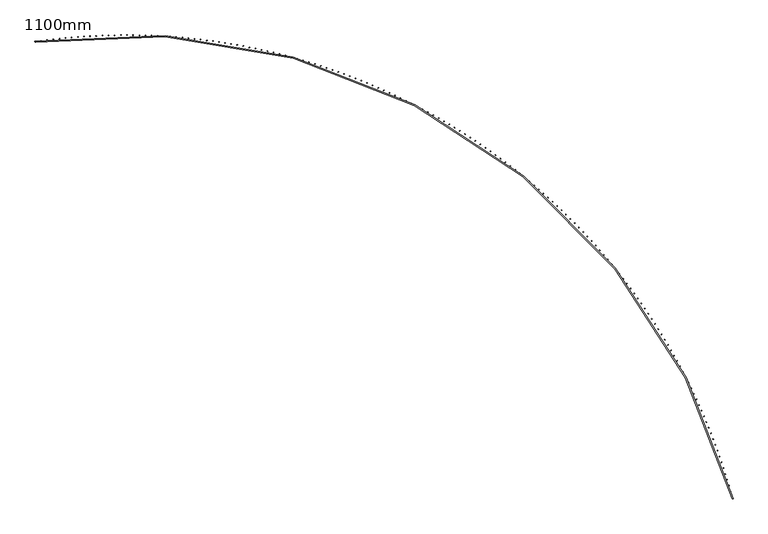
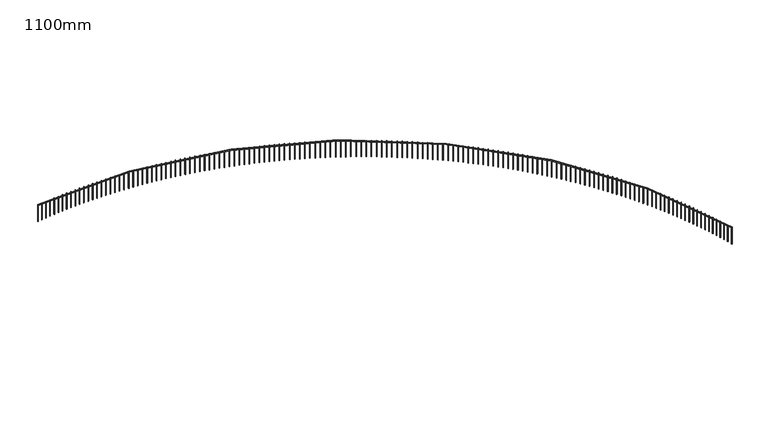
"""IFC4 building model written with IfcOpenShell, lengths in millimetres: railing geometry, 1100mm."""

from ifc_helpers import new_model, si_unit, point, frame, frame_2d, origin, place, context, project, spatial, polyline, circle_curve, trimmed, segment, composite_curve, outline, extrude, source, transform, mapped, element, save


def railing_1100mm_b144dd75(model_context):
    return source(origin(), model_context, "Body", "SweptSolid", [
        extrude(outline(composite_curve([segment(trimmed(circle_curve(frame_2d((-8794.2031957, -54023.2815566)), 28027.8933111), [point((18263.3200525, -46712.1093436))], [point((-12873.1716323, -26293.787873))], True, "CARTESIAN"), True, "CONTINUOUS"), segment(polyline([(-12873.1716323, -26293.787873), (-12880.4482557, -26244.3201992)]), True, "CONTINUOUS"), segment(trimmed(circle_curve(frame_2d((-8794.2031957, -54023.2815566)), 28077.8933111), [point((-12880.4482557, -26244.3201992))], [point((18311.5889733, -46699.0666719))], False, "CARTESIAN"), True, "CONTINUOUS"), segment(polyline([(18311.5889733, -46699.0666719), (18263.3200525, -46712.1093436)]), True, "CONTINUOUS")], self_intersect=False)), frame((0.0, 0.0, 15650.0), z_axis=(0.0, 0.0, 1.0), x_axis=(1.0, 0.0, 0.0)), (0.0, 0.0, 1.0), 50.0),
        extrude(outline(polyline([(18256.6030696, -46639.6717561), (18280.7237123, -46633.0994967), (18287.2959717, -46657.2201395), (18263.1753289, -46663.7923988), (18256.6030696, -46639.6717561)])), frame((0.0, 0.0, 14600.0), z_axis=(0.0, 0.0, 1.0), x_axis=(1.0, 0.0, 0.0)), (0.0, 0.0, 1.0), 1050.0),
        extrude(outline(polyline([(18182.9236225, -46374.8541414), (18206.97868, -46368.0457491), (18213.7870723, -46392.1008067), (18189.7320147, -46398.909199), (18182.9236225, -46374.8541414)])), frame((0.0, 0.0, 14600.0), z_axis=(0.0, 0.0, 1.0), x_axis=(1.0, 0.0, 0.0)), (0.0, 0.0, 1.0), 1050.0),
        extrude(outline(polyline([(18106.6517737, -46110.7715122), (18130.6389345, -46103.7276413), (18137.6828054, -46127.7148021), (18113.6956447, -46134.758673), (18106.6517737, -46110.7715122)])), frame((0.0, 0.0, 14600.0), z_axis=(0.0, 0.0, 1.0), x_axis=(1.0, 0.0, 0.0)), (0.0, 0.0, 1.0), 1050.0),
        extrude(outline(polyline([(18027.7948528, -45847.4492458), (18051.7118117, -45840.1705731), (18058.9904844, -45864.087532), (18035.0735255, -45871.3662047), (18027.7948528, -45847.4492458)])), frame((0.0, 0.0, 14600.0), z_axis=(0.0, 0.0, 1.0), x_axis=(1.0, 0.0, 0.0)), (0.0, 0.0, 1.0), 1050.0),
        extrude(outline(polyline([(17946.3604376, -45584.9126465), (17970.2048963, -45577.3998715), (17977.7176713, -45601.2443302), (17953.8732126, -45608.7571052), (17946.3604376, -45584.9126465)])), frame((0.0, 0.0, 14600.0), z_axis=(0.0, 0.0, 1.0), x_axis=(1.0, 0.0, 0.0)), (0.0, 0.0, 1.0), 1050.0),
        extrude(outline(polyline([(17862.3563536, -45323.1869431), (17886.1260207, -45315.4407877), (17893.8721762, -45339.2104549), (17870.102509, -45346.9566103), (17862.3563536, -45323.1869431)])), frame((0.0, 0.0, 14600.0), z_axis=(0.0, 0.0, 1.0), x_axis=(1.0, 0.0, 0.0)), (0.0, 0.0, 1.0), 1050.0),
        extrude(outline(polyline([(17775.7906733, -45062.2972865), (17799.4832647, -45054.3184951), (17807.4620561, -45078.0110865), (17783.7694647, -45085.9898779), (17775.7906733, -45062.2972865)])), frame((0.0, 0.0, 14600.0), z_axis=(0.0, 0.0, 1.0), x_axis=(1.0, 0.0, 0.0)), (0.0, 0.0, 1.0), 1050.0),
        extrude(outline(polyline([(17686.6717154, -44802.2687471), (17710.2849543, -44794.0580864), (17718.4956149, -44817.6713253), (17694.882376, -44825.881986), (17686.6717154, -44802.2687471)])), frame((0.0, 0.0, 14600.0), z_axis=(0.0, 0.0, 1.0), x_axis=(1.0, 0.0, 0.0)), (0.0, 0.0, 1.0), 1050.0),
        extrude(outline(polyline([(17595.0080438, -44543.1263128), (17618.539661, -44534.6845719), (17626.9814019, -44558.2161891), (17603.4497847, -44566.65793), (17595.0080438, -44543.1263128)])), frame((0.0, 0.0, 14600.0), z_axis=(0.0, 0.0, 1.0), x_axis=(1.0, 0.0, 0.0)), (0.0, 0.0, 1.0), 1050.0),
        extrude(outline(polyline([(17500.8084671, -44284.8948862), (17524.2562014, -44276.2228762), (17532.9282113, -44299.6706105), (17509.480477, -44308.3426205), (17500.8084671, -44284.8948862)])), frame((0.0, 0.0, 14600.0), z_axis=(0.0, 0.0, 1.0), x_axis=(1.0, 0.0, 0.0)), (0.0, 0.0, 1.0), 1050.0),
        extrude(outline(polyline([(17404.0820375, -44027.5992823), (17427.4436356, -44018.6978367), (17436.3450812, -44042.0594347), (17412.9834831, -44050.9608804), (17404.0820375, -44027.5992823)])), frame((0.0, 0.0, 14600.0), z_axis=(0.0, 0.0, 1.0), x_axis=(1.0, 0.0, 0.0)), (0.0, 0.0, 1.0), 1050.0),
        extrude(outline(polyline([(17304.8380501, -43771.2642263), (17328.111267, -43762.1342004), (17337.2412929, -43785.4074173), (17313.968076, -43794.5374433), (17304.8380501, -43771.2642263)])), frame((0.0, 0.0, 14600.0), z_axis=(0.0, 0.0, 1.0), x_axis=(1.0, 0.0, 0.0)), (0.0, 0.0, 1.0), 1050.0),
        extrude(outline(polyline([(17203.0860418, -43515.9143511), (17226.2686411, -43506.5566223), (17235.62637, -43529.7392216), (17212.4437706, -43539.0969505), (17203.0860418, -43515.9143511)])), frame((0.0, 0.0, 14600.0), z_axis=(0.0, 0.0, 1.0), x_axis=(1.0, 0.0, 0.0)), (0.0, 0.0, 1.0), 1050.0),
        extrude(outline(polyline([(17098.8357907, -43261.5741949), (17121.9255446, -43251.9896623), (17131.5100771, -43275.0794163), (17108.4203232, -43284.6639488), (17098.8357907, -43261.5741949)])), frame((0.0, 0.0, 14600.0), z_axis=(0.0, 0.0, 1.0), x_axis=(1.0, 0.0, 0.0)), (0.0, 0.0, 1.0), 1050.0),
        extrude(outline(polyline([(16992.0973147, -43008.2681987), (17015.0920044, -42998.4577835), (17024.9024196, -43021.4524732), (17001.9077299, -43031.2628884), (16992.0973147, -43008.2681987)])), frame((0.0, 0.0, 14600.0), z_axis=(0.0, 0.0, 1.0), x_axis=(1.0, 0.0, 0.0)), (0.0, 0.0, 1.0), 1050.0),
        extrude(outline(polyline([(16882.8808711, -42756.0207043), (16905.7782869, -42745.9853493), (16915.813642, -42768.882765), (16892.9162262, -42778.9181201), (16882.8808711, -42756.0207043)])), frame((0.0, 0.0, 14600.0), z_axis=(0.0, 0.0, 1.0), x_axis=(1.0, 0.0, 0.0)), (0.0, 0.0, 1.0), 1050.0),
        extrude(outline(polyline([(16771.1969552, -42504.8559519), (16793.9948967, -42494.5966213), (16804.2542273, -42517.3945627), (16781.4562858, -42527.6538934), (16771.1969552, -42504.8559519)])), frame((0.0, 0.0, 14600.0), z_axis=(0.0, 0.0, 1.0), x_axis=(1.0, 0.0, 0.0)), (0.0, 0.0, 1.0), 1050.0),
        extrude(outline(polyline([(16657.0562994, -42254.7980773), (16679.7525758, -42244.315757), (16690.234896, -42267.0120334), (16667.5386197, -42277.4943537), (16657.0562994, -42254.7980773)])), frame((0.0, 0.0, 14600.0), z_axis=(0.0, 0.0, 1.0), x_axis=(1.0, 0.0, 0.0)), (0.0, 0.0, 1.0), 1050.0),
        extrude(outline(polyline([(16540.4698721, -42005.8711103), (16563.0623024, -41995.1668076), (16573.766605, -42017.7592379), (16551.1741747, -42028.4635405), (16540.4698721, -42005.8711103)])), frame((0.0, 0.0, 14600.0), z_axis=(0.0, 0.0, 1.0), x_axis=(1.0, 0.0, 0.0)), (0.0, 0.0, 1.0), 1050.0),
        extrude(outline(polyline([(16421.4488769, -41758.0989717), (16443.93529, -41747.1737154), (16454.8605463, -41769.6601285), (16432.3741332, -41780.5853848), (16421.4488769, -41758.0989717)])), frame((0.0, 0.0, 14600.0), z_axis=(0.0, 0.0, 1.0), x_axis=(1.0, 0.0, 0.0)), (0.0, 0.0, 1.0), 1050.0),
        extrude(outline(polyline([(16300.0047513, -41511.5054716), (16322.3829864, -41500.3603114), (16333.5281465, -41522.7385465), (16311.1499114, -41533.8837067), (16300.0047513, -41511.5054716)])), frame((0.0, 0.0, 14600.0), z_axis=(0.0, 0.0, 1.0), x_axis=(1.0, 0.0, 0.0)), (0.0, 0.0, 1.0), 1050.0),
        extrude(outline(polyline([(16176.1491655, -41266.1143066), (16198.4170721, -41254.7503137), (16209.7810651, -41277.0182203), (16187.5131585, -41288.3822132), (16176.1491655, -41266.1143066)])), frame((0.0, 0.0, 14600.0), z_axis=(0.0, 0.0, 1.0), x_axis=(1.0, 0.0, 0.0)), (0.0, 0.0, 1.0), 1050.0),
        extrude(outline(polyline([(16049.8940217, -41021.949058), (16072.04946, -41010.3673243), (16083.6311937, -41032.5227625), (16061.4757555, -41044.1044963), (16049.8940217, -41021.949058)])), frame((0.0, 0.0, 14600.0), z_axis=(0.0, 0.0, 1.0), x_axis=(1.0, 0.0, 0.0)), (0.0, 0.0, 1.0), 1050.0),
        extrude(outline(polyline([(15921.2514526, -40779.0331892), (15943.2922934, -40767.2348276), (15955.090655, -40789.2756684), (15933.0498141, -40801.07403), (15921.2514526, -40779.0331892)])), frame((0.0, 0.0, 14600.0), z_axis=(0.0, 0.0, 1.0), x_axis=(1.0, 0.0, 0.0)), (0.0, 0.0, 1.0), 1050.0),
        extrude(outline(polyline([(15790.23382, -40537.3900434), (15812.1579454, -40525.3761878), (15824.171801, -40547.3003131), (15802.2476756, -40559.3141687), (15790.23382, -40537.3900434)])), frame((0.0, 0.0, 14600.0), z_axis=(0.0, 0.0, 1.0), x_axis=(1.0, 0.0, 0.0)), (0.0, 0.0, 1.0), 1050.0),
        extrude(outline(polyline([(15656.8537145, -40297.0428416), (15678.6590176, -40284.8146464), (15690.8872128, -40306.6199495), (15669.0819097, -40318.8481447), (15656.8537145, -40297.0428416)])), frame((0.0, 0.0, 14600.0), z_axis=(0.0, 0.0, 1.0), x_axis=(1.0, 0.0, 0.0)), (0.0, 0.0, 1.0), 1050.0),
        extrude(outline(polyline([(15521.1239533, -40058.0146803), (15542.8083387, -40045.5733207), (15555.2496983, -40067.2577061), (15533.5653129, -40079.6990658), (15521.1239533, -40058.0146803)])), frame((0.0, 0.0, 14600.0), z_axis=(0.0, 0.0, 1.0), x_axis=(1.0, 0.0, 0.0)), (0.0, 0.0, 1.0), 1050.0),
        extrude(outline(polyline([(15383.0575795, -39820.3285293), (15404.6189635, -39807.6752008), (15417.272292, -39829.2365847), (15395.710908, -39841.8899133), (15383.0575795, -39820.3285293)])), frame((0.0, 0.0, 14600.0), z_axis=(0.0, 0.0, 1.0), x_axis=(1.0, 0.0, 0.0)), (0.0, 0.0, 1.0), 1050.0),
        extrude(outline(polyline([(15242.6678609, -39584.0072293), (15264.1041713, -39571.1431478), (15276.9682528, -39592.5794583), (15255.5319423, -39605.4435398), (15242.6678609, -39584.0072293)])), frame((0.0, 0.0, 14600.0), z_axis=(0.0, 0.0, 1.0), x_axis=(1.0, 0.0, 0.0)), (0.0, 0.0, 1.0), 1050.0),
        extrude(outline(polyline([(15099.9682882, -39349.0734899), (15121.2774653, -39335.9998916), (15134.3510636, -39357.3090687), (15113.0418865, -39370.382667), (15099.9682882, -39349.0734899)])), frame((0.0, 0.0, 14600.0), z_axis=(0.0, 0.0, 1.0), x_axis=(1.0, 0.0, 0.0)), (0.0, 0.0, 1.0), 1050.0),
        extrude(outline(polyline([(14954.9725745, -39115.5498873), (14976.1525705, -39102.2680286), (14989.4344292, -39123.4480246), (14968.2544332, -39136.7298833), (14954.9725745, -39115.5498873)])), frame((0.0, 0.0, 14600.0), z_axis=(0.0, 0.0, 1.0), x_axis=(1.0, 0.0, 0.0)), (0.0, 0.0, 1.0), 1050.0),
        extrude(outline(polyline([(14807.6946533, -38883.4588623), (14828.7434328, -38869.9700195), (14842.2322756, -38891.0187991), (14821.1834961, -38904.5076419), (14807.6946533, -38883.4588623)])), frame((0.0, 0.0, 14600.0), z_axis=(0.0, 0.0, 1.0), x_axis=(1.0, 0.0, 0.0)), (0.0, 0.0, 1.0), 1050.0),
        extrude(outline(polyline([(14658.1486774, -38652.8227181), (14679.0642178, -38639.1281874), (14692.7587485, -38660.0437277), (14671.8432081, -38673.7382584), (14658.1486774, -38652.8227181)])), frame((0.0, 0.0, 14600.0), z_axis=(0.0, 0.0, 1.0), x_axis=(1.0, 0.0, 0.0)), (0.0, 0.0, 1.0), 1050.0),
        extrude(outline(polyline([(14506.3490177, -38423.6636177), (14527.129309, -38409.7647152), (14541.0282116, -38430.5450065), (14520.2479203, -38444.443909), (14506.3490177, -38423.6636177)])), frame((0.0, 0.0, 14600.0), z_axis=(0.0, 0.0, 1.0), x_axis=(1.0, 0.0, 0.0)), (0.0, 0.0, 1.0), 1050.0),
        extrude(outline(polyline([(14352.3102615, -38196.0035827), (14372.9533069, -38181.9016439), (14387.0552457, -38202.5446892), (14366.4122004, -38216.6466281), (14352.3102615, -38196.0035827)])), frame((0.0, 0.0, 14600.0), z_axis=(0.0, 0.0, 1.0), x_axis=(1.0, 0.0, 0.0)), (0.0, 0.0, 1.0), 1050.0),
        extrude(outline(polyline([(14196.0472114, -37969.8644903), (14216.5510271, -37955.5608703), (14230.854647, -37976.064686), (14210.3508314, -37990.3683059), (14196.0472114, -37969.8644903)])), frame((0.0, 0.0, 14600.0), z_axis=(0.0, 0.0, 1.0), x_axis=(1.0, 0.0, 0.0)), (0.0, 0.0, 1.0), 1050.0),
        extrude(outline(polyline([(14037.5748837, -37745.2680715), (14057.9374994, -37730.764145), (14072.4414259, -37751.1267606), (14052.0788103, -37765.6306872), (14037.5748837, -37745.2680715)])), frame((0.0, 0.0, 14600.0), z_axis=(0.0, 0.0, 1.0), x_axis=(1.0, 0.0, 0.0)), (0.0, 0.0, 1.0), 1050.0),
        extrude(outline(polyline([(13876.908507, -37522.2359094), (13897.1279659, -37507.5330701), (13911.8308052, -37527.7525289), (13891.6113464, -37542.4553682), (13876.908507, -37522.2359094)])), frame((0.0, 0.0, 14600.0), z_axis=(0.0, 0.0, 1.0), x_axis=(1.0, 0.0, 0.0)), (0.0, 0.0, 1.0), 1050.0),
        extrude(outline(polyline([(13714.0635208, -37300.7894364), (13734.1378798, -37285.8890972), (13749.038219, -37305.9634562), (13728.96386, -37320.8637954), (13714.0635208, -37300.7894364)])), frame((0.0, 0.0, 14600.0), z_axis=(0.0, 0.0, 1.0), x_axis=(1.0, 0.0, 0.0)), (0.0, 0.0, 1.0), 1050.0),
        extrude(outline(polyline([(13549.0555737, -37080.9499328), (13568.9829038, -37065.8535255), (13584.0793112, -37085.7808556), (13564.151981, -37100.8772629), (13549.0555737, -37080.9499328)])), frame((0.0, 0.0, 14600.0), z_axis=(0.0, 0.0, 1.0), x_axis=(1.0, 0.0, 0.0)), (0.0, 0.0, 1.0), 1050.0),
        extrude(outline(polyline([(13381.9005225, -36862.7385242), (13401.6789088, -36847.4474996), (13416.9699335, -36867.2258859), (13397.1915472, -36882.5169105), (13381.9005225, -36862.7385242)])), frame((0.0, 0.0, 14600.0), z_axis=(0.0, 0.0, 1.0), x_axis=(1.0, 0.0, 0.0)), (0.0, 0.0, 1.0), 1050.0),
        extrude(outline(polyline([(13212.6144302, -36646.1761801), (13232.2419721, -36630.6920075), (13247.7261447, -36650.3195493), (13228.0986029, -36665.8037219), (13212.6144302, -36646.1761801)])), frame((0.0, 0.0, 14600.0), z_axis=(0.0, 0.0, 1.0), x_axis=(1.0, 0.0, 0.0)), (0.0, 0.0, 1.0), 1050.0),
        extrude(outline(polyline([(13041.2135646, -36431.2837112), (13060.6883758, -36415.6078786), (13076.3642084, -36435.0826898), (13056.8893971, -36450.7585224), (13041.2135646, -36431.2837112)])), frame((0.0, 0.0, 14600.0), z_axis=(0.0, 0.0, 1.0), x_axis=(1.0, 0.0, 0.0)), (0.0, 0.0, 1.0), 1050.0),
        extrude(outline(polyline([(12867.7143965, -36218.0817679), (12887.0346057, -36202.2157817), (12902.9005918, -36221.5359909), (12883.5803827, -36237.4019771), (12867.7143965, -36218.0817679)])), frame((0.0, 0.0, 14600.0), z_axis=(0.0, 0.0, 1.0), x_axis=(1.0, 0.0, 0.0)), (0.0, 0.0, 1.0), 1050.0),
        extrude(outline(polyline([(12692.1335987, -36006.5908381), (12711.2973492, -35990.536223), (12727.3519643, -36009.6999735), (12708.1882137, -36025.7545886), (12692.1335987, -36006.5908381)])), frame((0.0, 0.0, 14600.0), z_axis=(0.0, 0.0, 1.0), x_axis=(1.0, 0.0, 0.0)), (0.0, 0.0, 1.0), 1050.0),
        extrude(outline(polyline([(12514.4880437, -35796.8312453), (12533.4934941, -35780.5895441), (12549.7351953, -35799.5949944), (12530.7297449, -35815.8366956), (12514.4880437, -35796.8312453)])), frame((0.0, 0.0, 14600.0), z_axis=(0.0, 0.0, 1.0), x_axis=(1.0, 0.0, 0.0)), (0.0, 0.0, 1.0), 1050.0),
        extrude(outline(polyline([(12334.7948028, -35588.8231466), (12353.6401265, -35572.3959201), (12370.0673531, -35591.2412438), (12351.2220293, -35607.6684704), (12334.7948028, -35588.8231466)])), frame((0.0, 0.0, 14600.0), z_axis=(0.0, 0.0, 1.0), x_axis=(1.0, 0.0, 0.0)), (0.0, 0.0, 1.0), 1050.0),
        extrude(outline(polyline([(12153.0711436, -35382.5865309), (12171.7545299, -35365.9753576), (12188.3657032, -35384.6587438), (12169.682317, -35401.2699171), (12153.0711436, -35382.5865309)])), frame((0.0, 0.0, 14600.0), z_axis=(0.0, 0.0, 1.0), x_axis=(1.0, 0.0, 0.0)), (0.0, 0.0, 1.0), 1050.0),
        extrude(outline(polyline([(11969.3345293, -35178.1412167), (11987.8541826, -35161.3476929), (12004.6477064, -35179.8673462), (11986.1280531, -35196.66087), (11969.3345293, -35178.1412167)])), frame((0.0, 0.0, 14600.0), z_axis=(0.0, 0.0, 1.0), x_axis=(1.0, 0.0, 0.0)), (0.0, 0.0, 1.0), 1050.0),
        extrude(outline(polyline([(11783.6026162, -34975.5068504), (11801.9567569, -34958.5325899), (11818.9310174, -34976.8867306), (11800.5768767, -34993.8609911), (11783.6026162, -34975.5068504)])), frame((0.0, 0.0, 14600.0), z_axis=(0.0, 0.0, 1.0), x_axis=(1.0, 0.0, 0.0)), (0.0, 0.0, 1.0), 1050.0),
        extrude(outline(polyline([(11595.8932524, -34774.7029045), (11614.0801167, -34757.5495385), (11631.2334827, -34775.7364028), (11613.0466184, -34792.8897688), (11595.8932524, -34774.7029045)])), frame((0.0, 0.0, 14600.0), z_axis=(0.0, 0.0, 1.0), x_axis=(1.0, 0.0, 0.0)), (0.0, 0.0, 1.0), 1050.0),
        extrude(outline(polyline([(11406.2244761, -34575.7486755), (11424.2423164, -34558.4178522), (11441.5731396, -34576.4356925), (11423.5552993, -34593.7665157), (11406.2244761, -34575.7486755)])), frame((0.0, 0.0, 14600.0), z_axis=(0.0, 0.0, 1.0), x_axis=(1.0, 0.0, 0.0)), (0.0, 0.0, 1.0), 1050.0),
        extrude(outline(polyline([(11214.6145138, -34378.663282), (11232.4615986, -34361.1566671), (11249.9682135, -34379.0037518), (11232.1211288, -34396.5103667), (11214.6145138, -34378.663282)])), frame((0.0, 0.0, 14600.0), z_axis=(0.0, 0.0, 1.0), x_axis=(1.0, 0.0, 0.0)), (0.0, 0.0, 1.0), 1050.0),
        extrude(outline(polyline([(11021.0817786, -34183.4656634), (11038.7563927, -34165.784939), (11056.4371171, -34183.4595532), (11038.7625029, -34201.1402776), (11021.0817786, -34183.4656634)])), frame((0.0, 0.0, 14600.0), z_axis=(0.0, 0.0, 1.0), x_axis=(1.0, 0.0, 0.0)), (0.0, 0.0, 1.0), 1050.0),
        extrude(outline(polyline([(10825.644868, -33990.1745773), (10843.1453132, -33972.3214426), (10860.9984479, -33989.8218878), (10843.4980027, -34007.6750225), (10825.644868, -33990.1745773)])), frame((0.0, 0.0, 14600.0), z_axis=(0.0, 0.0, 1.0), x_axis=(1.0, 0.0, 0.0)), (0.0, 0.0, 1.0), 1050.0),
        extrude(outline(polyline([(10628.322563, -33798.8085983), (10645.6471575, -33780.7847689), (10663.6709869, -33798.1093633), (10646.3463925, -33816.1331928), (10628.322563, -33798.8085983)])), frame((0.0, 0.0, 14600.0), z_axis=(0.0, 0.0, 1.0), x_axis=(1.0, 0.0, 0.0)), (0.0, 0.0, 1.0), 1050.0),
        extrude(outline(polyline([(10429.1338255, -33609.3861161), (10446.2809044, -33591.1933239), (10464.4736965, -33608.3404028), (10447.3266177, -33626.5331949), (10429.1338255, -33609.3861161)])), frame((0.0, 0.0, 14600.0), z_axis=(0.0, 0.0, 1.0), x_axis=(1.0, 0.0, 0.0)), (0.0, 0.0, 1.0), 1050.0),
        extrude(outline(polyline([(10228.0977967, -33421.9253333), (10245.0657123, -33403.5653266), (10263.4257189, -33420.5332422), (10246.4578034, -33438.8932488), (10228.0977967, -33421.9253333)])), frame((0.0, 0.0, 14600.0), z_axis=(0.0, 0.0, 1.0), x_axis=(1.0, 0.0, 0.0)), (0.0, 0.0, 1.0), 1050.0),
        extrude(outline(polyline([(10025.2337956, -33236.4442642), (10042.0209172, -33217.9188075), (10060.5463739, -33234.7059291), (10043.7592523, -33253.2313858), (10025.2337956, -33236.4442642)])), frame((0.0, 0.0, 14600.0), z_axis=(0.0, 0.0, 1.0), x_axis=(1.0, 0.0, 0.0)), (0.0, 0.0, 1.0), 1050.0),
        extrude(outline(polyline([(9820.5613164, -33052.960733), (9837.166031, -33034.2716063), (9855.8551576, -33050.8763209), (9839.2504431, -33069.5654475), (9820.5613164, -33052.960733)])), frame((0.0, 0.0, 14600.0), z_axis=(0.0, 0.0, 1.0), x_axis=(1.0, 0.0, 0.0)), (0.0, 0.0, 1.0), 1050.0),
        extrude(outline(polyline([(9614.1000276, -32871.4923716), (9630.5207394, -32852.641371), (9649.37174, -32869.0620829), (9632.9510282, -32887.9130834), (9614.1000276, -32871.4923716)])), frame((0.0, 0.0, 14600.0), z_axis=(0.0, 0.0, 1.0), x_axis=(1.0, 0.0, 0.0)), (0.0, 0.0, 1.0), 1050.0),
        extrude(outline(polyline([(9405.8697693, -32692.0566186), (9422.1049004, -32673.0455556), (9441.1159634, -32689.2806867), (9424.8808323, -32708.2917497), (9405.8697693, -32692.0566186)])), frame((0.0, 0.0, 14600.0), z_axis=(0.0, 0.0, 1.0), x_axis=(1.0, 0.0, 0.0)), (0.0, 0.0, 1.0), 1050.0),
        extrude(outline(polyline([(9195.8905516, -32514.670717), (9211.9385419, -32495.5014184), (9231.1078405, -32511.5494087), (9215.0598502, -32530.7187073), (9195.8905516, -32514.670717)])), frame((0.0, 0.0, 14600.0), z_axis=(0.0, 0.0, 1.0), x_axis=(1.0, 0.0, 0.0)), (0.0, 0.0, 1.0), 1050.0),
        extrude(outline(polyline([(8984.1825528, -32339.3517129), (9000.0418601, -32320.0260209), (9019.3675521, -32335.8853282), (9003.5082448, -32355.2110202), (8984.1825528, -32339.3517129)])), frame((0.0, 0.0, 14600.0), z_axis=(0.0, 0.0, 1.0), x_axis=(1.0, 0.0, 0.0)), (0.0, 0.0, 1.0), 1050.0),
        extrude(outline(polyline([(8770.7661172, -32166.1164539), (8786.4352175, -32146.6362256), (8805.9154458, -32162.3053259), (8790.2463455, -32181.7855542), (8770.7661172, -32166.1164539)])), frame((0.0, 0.0, 14600.0), z_axis=(0.0, 0.0, 1.0), x_axis=(1.0, 0.0, 0.0)), (0.0, 0.0, 1.0), 1050.0),
        extrude(outline(polyline([(8555.6617533, -31994.9815872), (8571.1391408, -31975.3486946), (8590.7720335, -31990.8260822), (8575.2946459, -32010.4589748), (8555.6617533, -31994.9815872)])), frame((0.0, 0.0, 14600.0), z_axis=(0.0, 0.0, 1.0), x_axis=(1.0, 0.0, 0.0)), (0.0, 0.0, 1.0), 1050.0),
        extrude(outline(polyline([(8338.8901319, -31825.9635583), (8354.1743194, -31806.179888), (8373.9579897, -31821.4640755), (8358.6738022, -31841.2477458), (8338.8901319, -31825.9635583)])), frame((0.0, 0.0, 14600.0), z_axis=(0.0, 0.0, 1.0), x_axis=(1.0, 0.0, 0.0)), (0.0, 0.0, 1.0), 1050.0),
        extrude(outline(polyline([(8120.4720839, -31659.0786091), (8135.5616026, -31639.1460622), (8155.4941494, -31654.2355809), (8140.4046308, -31674.1681278), (8120.4720839, -31659.0786091)])), frame((0.0, 0.0, 14600.0), z_axis=(0.0, 0.0, 1.0), x_axis=(1.0, 0.0, 0.0)), (0.0, 0.0, 1.0), 1050.0),
        extrude(outline(polyline([(7900.4285984, -31494.3427768), (7915.3219983, -31474.2632687), (7935.4015063, -31489.1566686), (7920.5081064, -31509.2361766), (7900.4285984, -31494.3427768)])), frame((0.0, 0.0, 14600.0), z_axis=(0.0, 0.0, 1.0), x_axis=(1.0, 0.0, 0.0)), (0.0, 0.0, 1.0), 1050.0),
        extrude(outline(polyline([(7678.780821, -31331.7718916), (7693.4766707, -31311.5473521), (7713.7012103, -31326.2432018), (7699.0053605, -31346.4677414), (7678.780821, -31331.7718916)])), frame((0.0, 0.0, 14600.0), z_axis=(0.0, 0.0, 1.0), x_axis=(1.0, 0.0, 0.0)), (0.0, 0.0, 1.0), 1050.0),
        extrude(outline(polyline([(7455.5500509, -31171.3815763), (7470.0469384, -31151.0139487), (7490.414566, -31165.5108361), (7475.9176785, -31185.8784637), (7455.5500509, -31171.3815763)])), frame((0.0, 0.0, 14600.0), z_axis=(0.0, 0.0, 1.0), x_axis=(1.0, 0.0, 0.0)), (0.0, 0.0, 1.0), 1050.0),
        extrude(outline(polyline([(7230.75774, -31013.1872435), (7245.0542721, -30992.6784852), (7265.5630305, -31006.9750172), (7251.2664984, -31027.4837756), (7230.75774, -31013.1872435)])), frame((0.0, 0.0, 14600.0), z_axis=(0.0, 0.0, 1.0), x_axis=(1.0, 0.0, 0.0)), (0.0, 0.0, 1.0), 1050.0),
        extrude(outline(polyline([(7004.4254899, -30857.2040953), (7018.5202928, -30836.556177), (7039.1682112, -30850.6509799), (7025.0734083, -30871.2988982), (7004.4254899, -30857.2040953)])), frame((0.0, 0.0, 14600.0), z_axis=(0.0, 0.0, 1.0), x_axis=(1.0, 0.0, 0.0)), (0.0, 0.0, 1.0), 1050.0),
        extrude(outline(polyline([(6776.5750504, -30703.4471211), (6790.4667695, -30682.6620269), (6811.2518637, -30696.5537461), (6797.3601445, -30717.3388403), (6776.5750504, -30703.4471211)])), frame((0.0, 0.0, 14600.0), z_axis=(0.0, 0.0, 1.0), x_axis=(1.0, 0.0, 0.0)), (0.0, 0.0, 1.0), 1050.0),
        extrude(outline(polyline([(6547.2283169, -30551.9310962), (6560.9156174, -30531.0108237), (6581.83589, -30544.6981243), (6568.1485894, -30565.6183968), (6547.2283169, -30551.9310962)])), frame((0.0, 0.0, 14600.0), z_axis=(0.0, 0.0, 1.0), x_axis=(1.0, 0.0, 0.0)), (0.0, 0.0, 1.0), 1050.0),
        extrude(outline(polyline([(6316.4073288, -30402.6705809), (6329.8888955, -30381.6171403), (6350.9423361, -30395.098707), (6337.4607694, -30416.1521476), (6316.4073288, -30402.6705809)])), frame((0.0, 0.0, 14600.0), z_axis=(0.0, 0.0, 1.0), x_axis=(1.0, 0.0, 0.0)), (0.0, 0.0, 1.0), 1050.0),
        extrude(outline(polyline([(6084.1342673, -30255.6799185), (6097.4088045, -30234.495333), (6118.59339, -30247.7698702), (6105.3188528, -30268.9544557), (6084.1342673, -30255.6799185)])), frame((0.0, 0.0, 14600.0), z_axis=(0.0, 0.0, 1.0), x_axis=(1.0, 0.0, 0.0)), (0.0, 0.0, 1.0), 1050.0),
        extrude(outline(polyline([(5850.4314528, -30110.9732343), (5863.4976849, -30089.6595397), (5884.8113795, -30102.7257718), (5871.7451474, -30124.0394664), (5850.4314528, -30110.9732343)])), frame((0.0, 0.0, 14600.0), z_axis=(0.0, 0.0, 1.0), x_axis=(1.0, 0.0, 0.0)), (0.0, 0.0, 1.0), 1050.0),
        extrude(outline(polyline([(5615.3213434, -29968.564434), (5628.1780148, -29947.1236785), (5649.6187704, -29959.9803499), (5636.762099, -29981.4211055), (5615.3213434, -29968.564434)])), frame((0.0, 0.0, 14600.0), z_axis=(0.0, 0.0, 1.0), x_axis=(1.0, 0.0, 0.0)), (0.0, 0.0, 1.0), 1050.0),
        extrude(outline(polyline([(5378.8265322, -29828.4672027), (5391.4724074, -29806.9014465), (5413.0381636, -29819.5473217), (5400.3922884, -29841.1130779), (5378.8265322, -29828.4672027)])), frame((0.0, 0.0, 14600.0), z_axis=(0.0, 0.0, 1.0), x_axis=(1.0, 0.0, 0.0)), (0.0, 0.0, 1.0), 1050.0),
        extrude(outline(polyline([(5140.9697455, -29690.695003), (5153.4036094, -29669.0063187), (5175.0922937, -29681.4401825), (5162.6584299, -29703.1288669), (5140.9697455, -29690.695003)])), frame((0.0, 0.0, 14600.0), z_axis=(0.0, 0.0, 1.0), x_axis=(1.0, 0.0, 0.0)), (0.0, 0.0, 1.0), 1050.0),
        extrude(outline(polyline([(4901.7738405, -29555.2610745), (4913.9944981, -29533.4515462), (4935.8040265, -29545.6722037), (4923.5833689, -29567.4817321), (4901.7738405, -29555.2610745)])), frame((0.0, 0.0, 14600.0), z_axis=(0.0, 0.0, 1.0), x_axis=(1.0, 0.0, 0.0)), (0.0, 0.0, 1.0), 1050.0),
        extrude(outline(polyline([(4661.2618031, -29422.1784318), (4673.2680801, -29400.2501553), (4695.1963566, -29412.2564322), (4683.1900797, -29434.1847088), (4661.2618031, -29422.1784318)])), frame((0.0, 0.0, 14600.0), z_axis=(0.0, 0.0, 1.0), x_axis=(1.0, 0.0, 0.0)), (0.0, 0.0, 1.0), 1050.0),
        extrude(outline(polyline([(4419.4567454, -29291.4598637), (4431.247488, -29269.4149462), (4453.2924056, -29281.2056888), (4441.501663, -29303.2506063), (4419.4567454, -29291.4598637)])), frame((0.0, 0.0, 14600.0), z_axis=(0.0, 0.0, 1.0), x_axis=(1.0, 0.0, 0.0)), (0.0, 0.0, 1.0), 1050.0),
        extrude(outline(polyline([(4176.3819042, -29163.1179317), (4187.9559794, -29140.9584917), (4210.1154194, -29152.5325669), (4198.5413443, -29174.6920069), (4176.3819042, -29163.1179317)])), frame((0.0, 0.0, 14600.0), z_axis=(0.0, 0.0, 1.0), x_axis=(1.0, 0.0, 0.0)), (0.0, 0.0, 1.0), 1050.0),
        extrude(outline(polyline([(3932.0606379, -29037.1649691), (3943.4169335, -29014.8931359), (3965.6887666, -29026.2494315), (3954.3324711, -29048.5212646), (3932.0606379, -29037.1649691)])), frame((0.0, 0.0, 14600.0), z_axis=(0.0, 0.0, 1.0), x_axis=(1.0, 0.0, 0.0)), (0.0, 0.0, 1.0), 1050.0),
        extrude(outline(polyline([(3686.516425, -28913.6130794), (3697.6538496, -28891.2309934), (3720.0359356, -28902.368418), (3708.898511, -28924.750504), (3686.516425, -28913.6130794)])), frame((0.0, 0.0, 14600.0), z_axis=(0.0, 0.0, 1.0), x_axis=(1.0, 0.0, 0.0)), (0.0, 0.0, 1.0), 1050.0),
        extrude(outline(polyline([(3439.7728613, -28792.4741354), (3450.6903448, -28769.9839474), (3473.1805327, -28780.9014309), (3462.2630493, -28803.3916188), (3439.7728613, -28792.4741354)])), frame((0.0, 0.0, 14600.0), z_axis=(0.0, 0.0, 1.0), x_axis=(1.0, 0.0, 0.0)), (0.0, 0.0, 1.0), 1050.0),
        extrude(outline(polyline([(3191.853658, -28673.7597783), (3202.5501511, -28651.1636495), (3225.1462799, -28661.8601426), (3214.4497868, -28684.4562714), (3191.853658, -28673.7597783)])), frame((0.0, 0.0, 14600.0), z_axis=(0.0, 0.0, 1.0), x_axis=(1.0, 0.0, 0.0)), (0.0, 0.0, 1.0), 1050.0),
        extrude(outline(polyline([(2942.7826392, -28557.481416), (2953.2571141, -28534.7815179), (2975.9570122, -28545.2559927), (2965.4825374, -28567.9558909), (2942.7826392, -28557.481416)])), frame((0.0, 0.0, 14600.0), z_axis=(0.0, 0.0, 1.0), x_axis=(1.0, 0.0, 0.0)), (0.0, 0.0, 1.0), 1050.0),
        extrude(outline(polyline([(2692.5837397, -28443.6502225), (2702.8351898, -28420.8487363), (2725.6366759, -28431.1001864), (2715.3852259, -28453.9016726), (2692.5837397, -28443.6502225)])), frame((0.0, 0.0, 14600.0), z_axis=(0.0, 0.0, 1.0), x_axis=(1.0, 0.0, 0.0)), (0.0, 0.0, 1.0), 1050.0),
        extrude(outline(polyline([(2441.2810026, -28332.2771364), (2451.3084428, -28309.3762534), (2474.2093258, -28319.4036936), (2464.1818857, -28342.3045766), (2441.2810026, -28332.2771364)])), frame((0.0, 0.0, 14600.0), z_axis=(0.0, 0.0, 1.0), x_axis=(1.0, 0.0, 0.0)), (0.0, 0.0, 1.0), 1050.0),
        extrude(outline(polyline([(2188.8985773, -28223.3728604), (2198.701044, -28200.3747812), (2221.6991232, -28210.1772478), (2211.8966565, -28233.1753271), (2188.8985773, -28223.3728604)])), frame((0.0, 0.0, 14600.0), z_axis=(0.0, 0.0, 1.0), x_axis=(1.0, 0.0, 0.0)), (0.0, 0.0, 1.0), 1050.0),
        extrude(outline(polyline([(1935.4607167, -28116.9478597), (1945.0372679, -28093.8547943), (1968.1303332, -28103.4313455), (1958.5537821, -28126.5244109), (1935.4607167, -28116.9478597)])), frame((0.0, 0.0, 14600.0), z_axis=(0.0, 0.0, 1.0), x_axis=(1.0, 0.0, 0.0)), (0.0, 0.0, 1.0), 1050.0),
        extrude(outline(polyline([(1680.9917753, -28013.0123614), (1690.3414907, -27989.826529), (1713.5273231, -27999.1762444), (1704.1776077, -28022.3620768), (1680.9917753, -28013.0123614)])), frame((0.0, 0.0, 14600.0), z_axis=(0.0, 0.0, 1.0), x_axis=(1.0, 0.0, 0.0)), (0.0, 0.0, 1.0), 1050.0),
        extrude(outline(polyline([(1425.5162066, -27911.5763533), (1434.6381878, -27888.299982), (1457.914559, -27897.4219632), (1448.7925779, -27920.6983344), (1425.5162066, -27911.5763533)])), frame((0.0, 0.0, 14600.0), z_axis=(0.0, 0.0, 1.0), x_axis=(1.0, 0.0, 0.0)), (0.0, 0.0, 1.0), 1050.0),
        extrude(outline(polyline([(1169.0585609, -27812.6495829), (1177.9519312, -27789.2849095), (1201.3166046, -27798.1782799), (1192.4232343, -27821.5429533), (1169.0585609, -27812.6495829)])), frame((0.0, 0.0, 14600.0), z_axis=(0.0, 0.0, 1.0), x_axis=(1.0, 0.0, 0.0)), (0.0, 0.0, 1.0), 1050.0),
        extrude(outline(polyline([(911.6434827, -27716.2415569), (920.3073876, -27692.7908266), (943.7581179, -27701.4547315), (935.094213, -27724.9054618), (911.6434827, -27716.2415569)])), frame((0.0, 0.0, 14600.0), z_axis=(0.0, 0.0, 1.0), x_axis=(1.0, 0.0, 0.0)), (0.0, 0.0, 1.0), 1050.0),
        extrude(outline(polyline([(653.2957087, -27622.3615397), (661.7293156, -27598.827006), (685.2638493, -27607.2606129), (676.8302424, -27630.7951466), (653.2957087, -27622.3615397)])), frame((0.0, 0.0, 14600.0), z_axis=(0.0, 0.0, 1.0), x_axis=(1.0, 0.0, 0.0)), (0.0, 0.0, 1.0), 1050.0),
        extrude(outline(polyline([(394.0400652, -27531.0185527), (402.2425637, -27507.4024773), (425.8586391, -27515.6049757), (417.6561407, -27539.2210512), (394.0400652, -27531.0185527)])), frame((0.0, 0.0, 14600.0), z_axis=(0.0, 0.0, 1.0), x_axis=(1.0, 0.0, 0.0)), (0.0, 0.0, 1.0), 1050.0),
        extrude(outline(polyline([(133.9014657, -27442.2213738), (141.8720675, -27418.526026), (165.5674153, -27426.4966277), (157.5968135, -27450.1919755), (133.9014657, -27442.2213738)])), frame((0.0, 0.0, 14600.0), z_axis=(0.0, 0.0, 1.0), x_axis=(1.0, 0.0, 0.0)), (0.0, 0.0, 1.0), 1050.0),
        extrude(outline(polyline([(-127.0950915, -27355.9785359), (-119.3571524, -27332.2061928), (-95.5848092, -27339.9441319), (-103.3227484, -27363.716475), (-127.0950915, -27355.9785359)])), frame((0.0, 0.0, 14600.0), z_axis=(0.0, 0.0, 1.0), x_axis=(1.0, 0.0, 0.0)), (0.0, 0.0, 1.0), 1050.0),
        extrude(outline(polyline([(-388.9245256, -27272.2983267), (-381.4199926, -27248.4512727), (-357.5729386, -27255.9558056), (-365.0774715, -27279.8028596), (-388.9245256, -27272.2983267)])), frame((0.0, 0.0, 14600.0), z_axis=(0.0, 0.0, 1.0), x_axis=(1.0, 0.0, 0.0)), (0.0, 0.0, 1.0), 1050.0),
        extrude(outline(polyline([(-651.5616757, -27191.1887876), (-644.2912701, -27167.2693143), (-620.3717968, -27174.5397199), (-627.6422024, -27198.4591932), (-651.5616757, -27191.1887876)])), frame((0.0, 0.0, 14600.0), z_axis=(0.0, 0.0, 1.0), x_axis=(1.0, 0.0, 0.0)), (0.0, 0.0, 1.0), 1050.0),
        extrude(outline(polyline([(-914.9813034, -27112.6577129), (-907.9457238, -27088.6681189), (-883.9561298, -27095.7036984), (-890.9917093, -27119.6932924), (-914.9813034, -27112.6577129)])), frame((0.0, 0.0, 14600.0), z_axis=(0.0, 0.0, 1.0), x_axis=(1.0, 0.0, 0.0)), (0.0, 0.0, 1.0), 1050.0),
        extrude(outline(polyline([(-1179.158095, -27036.712649), (-1172.3580176, -27012.6552396), (-1148.3006082, -27019.4553171), (-1155.1006856, -27043.5127265), (-1179.158095, -27036.712649)])), frame((0.0, 0.0, 14600.0), z_axis=(0.0, 0.0, 1.0), x_axis=(1.0, 0.0, 0.0)), (0.0, 0.0, 1.0), 1050.0),
        extrude(outline(polyline([(-1444.0666641, -26963.3608942), (-1437.5027423, -26939.2379812), (-1413.3798293, -26945.8019031), (-1419.9437512, -26969.924816), (-1444.0666641, -26963.3608942)])), frame((0.0, 0.0, 14600.0), z_axis=(0.0, 0.0, 1.0), x_axis=(1.0, 0.0, 0.0)), (0.0, 0.0, 1.0), 1050.0),
        extrude(outline(polyline([(-1709.6815541, -26892.6094971), (-1703.3544186, -26868.4233987), (-1679.1683202, -26874.7505342), (-1685.4954557, -26898.9366326), (-1709.6815541, -26892.6094971)])), frame((0.0, 0.0, 14600.0), z_axis=(0.0, 0.0, 1.0), x_axis=(1.0, 0.0, 0.0)), (0.0, 0.0, 1.0), 1050.0),
        extrude(outline(polyline([(-1975.9772402, -26824.4652568), (-1969.8874991, -26800.2182972), (-1945.6405395, -26806.3080383), (-1951.7302806, -26830.5549979), (-1975.9772402, -26824.4652568)])), frame((0.0, 0.0, 14600.0), z_axis=(0.0, 0.0, 1.0), x_axis=(1.0, 0.0, 0.0)), (0.0, 0.0, 1.0), 1050.0),
        extrude(outline(polyline([(-2242.9281326, -26758.9347217), (-2237.076371, -26734.6292308), (-2212.7708801, -26740.4809923), (-2218.6226417, -26764.7864832), (-2242.9281326, -26758.9347217)])), frame((0.0, 0.0, 14600.0), z_axis=(0.0, 0.0, 1.0), x_axis=(1.0, 0.0, 0.0)), (0.0, 0.0, 1.0), 1050.0),
        extrude(outline(polyline([(-2510.5085781, -26696.0241889), (-2504.8953584, -26671.6625025), (-2480.533672, -26677.2757221), (-2486.1468916, -26701.6374085), (-2510.5085781, -26696.0241889)])), frame((0.0, 0.0, 14600.0), z_axis=(0.0, 0.0, 1.0), x_axis=(1.0, 0.0, 0.0)), (0.0, 0.0, 1.0), 1050.0),
        extrude(outline(polyline([(-2778.6928633, -26635.739704), (-2773.3187249, -26611.3241631), (-2748.903184, -26616.6983014), (-2754.2773224, -26641.1138423), (-2778.6928633, -26635.739704)])), frame((0.0, 0.0, 14600.0), z_axis=(0.0, 0.0, 1.0), x_axis=(1.0, 0.0, 0.0)), (0.0, 0.0, 1.0), 1050.0),
        extrude(outline(polyline([(-3047.4552167, -26578.08706), (-3042.3206761, -26553.6200109), (-3017.8536269, -26558.7545515), (-3022.9881675, -26583.2216006), (-3047.4552167, -26578.08706)])), frame((0.0, 0.0, 14600.0), z_axis=(0.0, 0.0, 1.0), x_axis=(1.0, 0.0, 0.0)), (0.0, 0.0, 1.0), 1050.0),
        extrude(outline(polyline([(-3316.7698112, -26523.0717973), (-3311.8753617, -26498.5555911), (-3287.3591556, -26503.4500406), (-3292.253605, -26527.9662467), (-3316.7698112, -26523.0717973)])), frame((0.0, 0.0, 14600.0), z_axis=(0.0, 0.0, 1.0), x_axis=(1.0, 0.0, 0.0)), (0.0, 0.0, 1.0), 1050.0),
        extrude(outline(polyline([(-3586.6107667, -26470.6992025), (-3581.9568787, -26446.1361952), (-3557.3938714, -26450.7900831), (-3562.0477594, -26475.3530904), (-3586.6107667, -26470.6992025)])), frame((0.0, 0.0, 14600.0), z_axis=(0.0, 0.0, 1.0), x_axis=(1.0, 0.0, 0.0)), (0.0, 0.0, 1.0), 1050.0),
        extrude(outline(polyline([(-3856.9521524, -26420.9743084), (-3852.5392732, -26396.3668604), (-3827.9318252, -26400.7797396), (-3832.3447044, -26425.3871876), (-3856.9521524, -26420.9743084)])), frame((0.0, 0.0, 14600.0), z_axis=(0.0, 0.0, 1.0), x_axis=(1.0, 0.0, 0.0)), (0.0, 0.0, 1.0), 1050.0),
        extrude(outline(polyline([(-4127.7679897, -26373.9018935), (-4123.5965432, -26349.2523694), (-4098.9470192, -26353.4238159), (-4103.1184657, -26378.0733399), (-4127.7679897, -26373.9018935)])), frame((0.0, 0.0, 14600.0), z_axis=(0.0, 0.0, 1.0), x_axis=(1.0, 0.0, 0.0)), (0.0, 0.0, 1.0), 1050.0),
        extrude(outline(polyline([(-4399.032254, -26329.4864811), (-4395.1026412, -26304.7972498), (-4370.4134099, -26308.7268626), (-4374.3430227, -26333.416094), (-4399.032254, -26329.4864811)])), frame((0.0, 0.0, 14600.0), z_axis=(0.0, 0.0, 1.0), x_axis=(1.0, 0.0, 0.0)), (0.0, 0.0, 1.0), 1050.0),
        extrude(outline(polyline([(-4670.7188779, -26287.7323396), (-4667.0314764, -26263.0057735), (-4642.3049103, -26266.6931751), (-4645.9923118, -26291.4197411), (-4670.7188779, -26287.7323396)])), frame((0.0, 0.0, 14600.0), z_axis=(0.0, 0.0, 1.0), x_axis=(1.0, 0.0, 0.0)), (0.0, 0.0, 1.0), 1050.0),
        extrude(outline(polyline([(-4942.8017533, -26248.6434812), (-4939.3569174, -26223.8819565), (-4914.5953927, -26227.3267925), (-4918.0402287, -26252.0883172), (-4942.8017533, -26248.6434812)])), frame((0.0, 0.0, 14600.0), z_axis=(0.0, 0.0, 1.0), x_axis=(1.0, 0.0, 0.0)), (0.0, 0.0, 1.0), 1050.0),
        extrude(outline(polyline([(-5215.2547341, -26212.2236623), (-5212.0527948, -26187.4295585), (-5187.258691, -26190.6314978), (-5190.4606303, -26215.4256017), (-5215.2547341, -26212.2236623)])), frame((0.0, 0.0, 14600.0), z_axis=(0.0, 0.0, 1.0), x_axis=(1.0, 0.0, 0.0)), (0.0, 0.0, 1.0), 1050.0),
        extrude(outline(polyline([(-5488.0516386, -26178.4763827), (-5485.0929036, -26153.6520824), (-5460.2686033, -26156.6108174), (-5463.2273382, -26181.4351177), (-5488.0516386, -26178.4763827)])), frame((0.0, 0.0, 14600.0), z_axis=(0.0, 0.0, 1.0), x_axis=(1.0, 0.0, 0.0)), (0.0, 0.0, 1.0), 1050.0),
        extrude(outline(polyline([(-5761.1662519, -26147.4048854), (-5758.4510056, -26122.5527741), (-5733.5988942, -26125.2680204), (-5736.3141406, -26150.1201318), (-5761.1662519, -26147.4048854)])), frame((0.0, 0.0, 14600.0), z_axis=(0.0, 0.0, 1.0), x_axis=(1.0, 0.0, 0.0)), (0.0, 0.0, 1.0), 1050.0),
        extrude(outline(polyline([(-6034.5723288, -26119.0121563), (-6032.100832, -26094.1346221), (-6007.2232979, -26096.6061189), (-6009.6947947, -26121.483653), (-6034.5723288, -26119.0121563)])), frame((0.0, 0.0, 14600.0), z_axis=(0.0, 0.0, 1.0), x_axis=(1.0, 0.0, 0.0)), (0.0, 0.0, 1.0), 1050.0),
        extrude(outline(polyline([(-6308.2435959, -26093.3009237), (-6306.0160863, -26068.4003574), (-6281.11552, -26070.627867), (-6283.3430297, -26095.5284333), (-6308.2435959, -26093.3009237)])), frame((0.0, 0.0, 14600.0), z_axis=(0.0, 0.0, 1.0), x_axis=(1.0, 0.0, 0.0)), (0.0, 0.0, 1.0), 1050.0),
        extrude(outline(polyline([(-6582.1537546, -26070.2736584), (-6580.1704461, -26045.3524528), (-6555.2492405, -26047.3357613), (-6557.232549, -26072.2569669), (-6582.1537546, -26070.2736584)])), frame((0.0, 0.0, 14600.0), z_axis=(0.0, 0.0, 1.0), x_axis=(1.0, 0.0, 0.0)), (0.0, 0.0, 1.0), 1050.0),
        extrude(outline(polyline([(-6856.2764829, -26049.9325732), (-6854.5375661, -26024.9931232), (-6829.5981161, -26026.73204), (-6831.3370329, -26051.67149), (-6856.2764829, -26049.9325732)])), frame((0.0, 0.0, 14600.0), z_axis=(0.0, 0.0, 1.0), x_axis=(1.0, 0.0, 0.0)), (0.0, 0.0, 1.0), 1050.0),
        extrude(outline(polyline([(-7130.5854389, -26032.279623), (-7129.0910809, -26007.3243251), (-7104.135783, -26008.818683), (-7105.6301409, -26033.773981), (-7130.5854389, -26032.279623)])), frame((0.0, 0.0, 14600.0), z_axis=(0.0, 0.0, 1.0), x_axis=(1.0, 0.0, 0.0)), (0.0, 0.0, 1.0), 1050.0),
        extrude(outline(polyline([(-7405.0542623, -26017.316504), (-7403.8046067, -25992.3477563), (-7378.8358591, -25993.5974118), (-7380.0855146, -26018.5661595), (-7405.0542623, -26017.316504)])), frame((0.0, 0.0, 14600.0), z_axis=(0.0, 0.0, 1.0), x_axis=(1.0, 0.0, 0.0)), (0.0, 0.0, 1.0), 1050.0),
        extrude(outline(polyline([(-7679.6565777, -26005.0446541), (-7678.6517447, -25980.064856), (-7653.6719467, -25981.0696891), (-7654.6767797, -26006.0494871), (-7679.6565777, -26005.0446541)])), frame((0.0, 0.0, 14600.0), z_axis=(0.0, 0.0, 1.0), x_axis=(1.0, 0.0, 0.0)), (0.0, 0.0, 1.0), 1050.0),
        extrude(outline(polyline([(-7954.365997, -25995.4652526), (-7953.606083, -25970.4768047), (-7928.6176351, -25971.2367186), (-7929.377549, -25996.2251666), (-7954.365997, -25995.4652526)])), frame((0.0, 0.0, 14600.0), z_axis=(0.0, 0.0, 1.0), x_axis=(1.0, 0.0, 0.0)), (0.0, 0.0, 1.0), 1050.0),
        extrude(outline(polyline([(-8229.1561214, -25988.5792202), (-8228.6411996, -25963.5845236), (-8203.6465031, -25964.0994454), (-8204.1614249, -25989.094142), (-8229.1561214, -25988.5792202)])), frame((0.0, 0.0, 14600.0), z_axis=(0.0, 0.0, 1.0), x_axis=(1.0, 0.0, 0.0)), (0.0, 0.0, 1.0), 1050.0),
        extrude(outline(polyline([(-8504.0005448, -25984.3872184), (-8503.7306646, -25959.3886751), (-8478.7321213, -25959.6585554), (-8479.0020016, -25984.6570986), (-8504.0005448, -25984.3872184)])), frame((0.0, 0.0, 14600.0), z_axis=(0.0, 0.0, 1.0), x_axis=(1.0, 0.0, 0.0)), (0.0, 0.0, 1.0), 1050.0),
        extrude(outline(polyline([(-8778.8728556, -25982.8896501), (-8778.8480429, -25957.8896624), (-8753.8480552, -25957.9144751), (-8753.8728679, -25982.9144628), (-8778.8728556, -25982.8896501)])), frame((0.0, 0.0, 14600.0), z_axis=(0.0, 0.0, 1.0), x_axis=(1.0, 0.0, 0.0)), (0.0, 0.0, 1.0), 1050.0),
        extrude(outline(polyline([(-9053.7466396, -25984.0866593), (-9053.9668968, -25959.0876296), (-9028.9678671, -25958.8673724), (-9028.7476099, -25983.8664021), (-9053.7466396, -25984.0866593)])), frame((0.0, 0.0, 14600.0), z_axis=(0.0, 0.0, 1.0), x_axis=(1.0, 0.0, 0.0)), (0.0, 0.0, 1.0), 1050.0),
        extrude(outline(polyline([(-9328.5954824, -25987.9781309), (-9329.0607884, -25962.9824614), (-9304.0651189, -25962.5171555), (-9303.599813, -25987.5128249), (-9328.5954824, -25987.9781309)])), frame((0.0, 0.0, 14600.0), z_axis=(0.0, 0.0, 1.0), x_axis=(1.0, 0.0, 0.0)), (0.0, 0.0, 1.0), 1050.0),
        extrude(outline(polyline([(-9603.3929721, -25994.5636909), (-9604.1032821, -25969.5737838), (-9579.1133749, -25968.8634738), (-9578.403065, -25993.853381), (-9603.3929721, -25994.5636909)])), frame((0.0, 0.0, 14600.0), z_axis=(0.0, 0.0, 1.0), x_axis=(1.0, 0.0, 0.0)), (0.0, 0.0, 1.0), 1050.0),
        extrude(outline(polyline([(-9878.1127017, -26003.8427066), (-9879.0679474, -25978.8609631), (-9854.086204, -25977.9057174), (-9853.1309583, -26002.8874608), (-9878.1127017, -26003.8427066)])), frame((0.0, 0.0, 14600.0), z_axis=(0.0, 0.0, 1.0), x_axis=(1.0, 0.0, 0.0)), (0.0, 0.0, 1.0), 1050.0),
        extrude(outline(polyline([(-10152.7282716, -26015.8142861), (-10153.9283613, -25990.843107), (-10128.9571822, -25989.6430173), (-10127.7570925, -26014.6141964), (-10152.7282716, -26015.8142861)])), frame((0.0, 0.0, 14600.0), z_axis=(0.0, 0.0, 1.0), x_axis=(1.0, 0.0, 0.0)), (0.0, 0.0, 1.0), 1050.0),
        extrude(outline(polyline([(-10427.2132923, -26030.4772792), (-10428.6581107, -26005.5190641), (-10403.6998956, -26004.0742458), (-10402.2550772, -26029.0324609), (-10427.2132923, -26030.4772792)])), frame((0.0, 0.0, 14600.0), z_axis=(0.0, 0.0, 1.0), x_axis=(1.0, 0.0, 0.0)), (0.0, 0.0, 1.0), 1050.0),
        extrude(outline(polyline([(-10701.5413868, -26047.8302767), (-10703.230795, -26022.887424), (-10678.2879423, -26021.1980159), (-10676.5985341, -26046.1408686), (-10701.5413868, -26047.8302767)])), frame((0.0, 0.0, 14600.0), z_axis=(0.0, 0.0, 1.0), x_axis=(1.0, 0.0, 0.0)), (0.0, 0.0, 1.0), 1050.0),
        extrude(outline(polyline([(-10975.6861932, -26067.8716111), (-10977.6200288, -26042.9465177), (-10952.6949354, -26041.0126821), (-10950.7610998, -26065.9377755), (-10975.6861932, -26067.8716111)])), frame((0.0, 0.0, 14600.0), z_axis=(0.0, 0.0, 1.0), x_axis=(1.0, 0.0, 0.0)), (0.0, 0.0, 1.0), 1050.0),
        extrude(outline(polyline([(-11249.6213672, -26090.5993565), (-11251.7994444, -26065.6944176), (-11226.8945055, -26063.5163404), (-11224.7164283, -26088.4212793), (-11249.6213672, -26090.5993565)])), frame((0.0, 0.0, 14600.0), z_axis=(0.0, 0.0, 1.0), x_axis=(1.0, 0.0, 0.0)), (0.0, 0.0, 1.0), 1050.0),
        extrude(outline(polyline([(-11523.3205846, -26116.0113288), (-11525.7426941, -26091.1289378), (-11500.8603031, -26088.7068282), (-11498.4381935, -26113.5892193), (-11523.3205846, -26116.0113288)])), frame((0.0, 0.0, 14600.0), z_axis=(0.0, 0.0, 1.0), x_axis=(1.0, 0.0, 0.0)), (0.0, 0.0, 1.0), 1050.0),
        extrude(outline(polyline([(-11796.757544, -26144.1050861), (-11799.4234531, -26119.2476339), (-11774.5660009, -26116.5817248), (-11771.9000918, -26141.4391769), (-11796.757544, -26144.1050861)])), frame((0.0, 0.0, 14600.0), z_axis=(0.0, 0.0, 1.0), x_axis=(1.0, 0.0, 0.0)), (0.0, 0.0, 1.0), 1050.0),
        extrude(outline(polyline([(-12069.905969, -26174.8779286), (-12072.8154215, -26150.047804), (-12047.985297, -26147.1383515), (-12045.0758445, -26171.9684761), (-12069.905969, -26174.8779286)])), frame((0.0, 0.0, 14600.0), z_axis=(0.0, 0.0, 1.0), x_axis=(1.0, 0.0, 0.0)), (0.0, 0.0, 1.0), 1050.0),
        extrude(outline(polyline([(-12342.7396112, -26208.3268991), (-12345.8923275, -26183.5264883), (-12321.0919167, -26180.373772), (-12317.9392003, -26205.1741828), (-12342.7396112, -26208.3268991)])), frame((0.0, 0.0, 14600.0), z_axis=(0.0, 0.0, 1.0), x_axis=(1.0, 0.0, 0.0)), (0.0, 0.0, 1.0), 1050.0),
        extrude(outline(polyline([(-12615.2322523, -26244.4487835), (-12618.6279294, -26219.6804695), (-12593.8596154, -26216.2847924), (-12590.4639383, -26241.0531063), (-12615.2322523, -26244.4487835)])), frame((0.0, 0.0, 14600.0), z_axis=(0.0, 0.0, 1.0), x_axis=(1.0, 0.0, 0.0)), (0.0, 0.0, 1.0), 1050.0),
        extrude(outline(polyline([(18268.8593359, -46684.7217729), (18292.9908881, -46678.1896837), (18299.5229773, -46702.3212359), (18275.3914251, -46708.8533251), (18268.8593359, -46684.7217729)])), frame((0.0, 0.0, 14600.0), z_axis=(0.0, 0.0, 1.0), x_axis=(1.0, 0.0, 0.0)), (0.0, 0.0, 1.0), 1050.0),
        extrude(outline(polyline([(-12874.9967034, -26281.4190085), (-12878.6239936, -26256.6835529), (-12853.8885379, -26253.0562627), (-12850.2612477, -26277.7917183), (-12874.9967034, -26281.4190085)])), frame((0.0, 0.0, 14600.0), z_axis=(0.0, 0.0, 1.0), x_axis=(1.0, 0.0, 0.0)), (0.0, 0.0, 1.0), 1050.0),
    ])


if __name__ == "__main__":
    model = new_model("IFC4")
    model_context = context("Model", 3, world=origin())
    ifc_project = project(units=[si_unit("LENGTHUNIT", "METRE", prefix="MILLI")], contexts=[model_context])
    site = spatial("IfcSite", under=ifc_project)
    building = spatial("IfcBuilding", under=site)
    placement = place(None, origin())
    railing_1100mm_shape = railing_1100mm_b144dd75(model_context)
    element("IfcRailing", 1, ObjectType="1100mm", at=placement, inside=building, context=model_context, shape_type="MappedRepresentation", body=[
        mapped(railing_1100mm_shape, transform((0.0, 0.0, 0.0), x_axis=(1.0, 0.0, 0.0), y_axis=(0.0, 1.0, 0.0), z_axis=(0.0, 0.0, 1.0))),
    ])
    save(model, "model.ifc")
